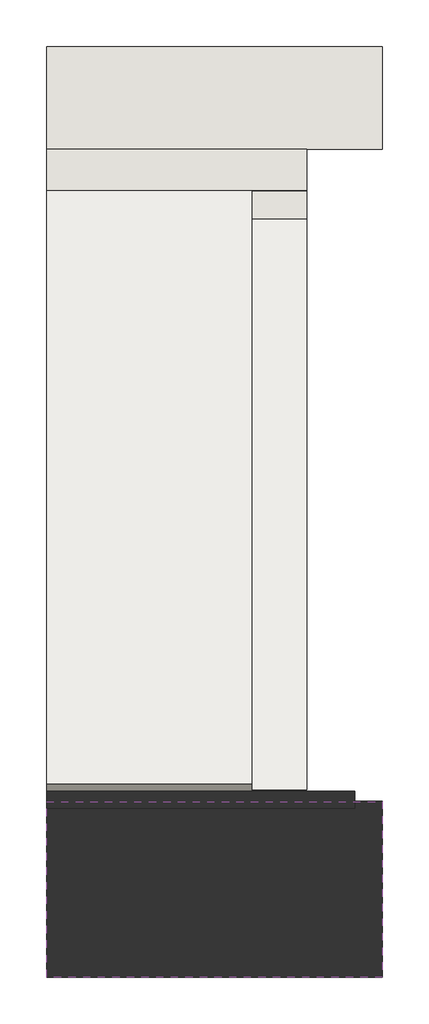
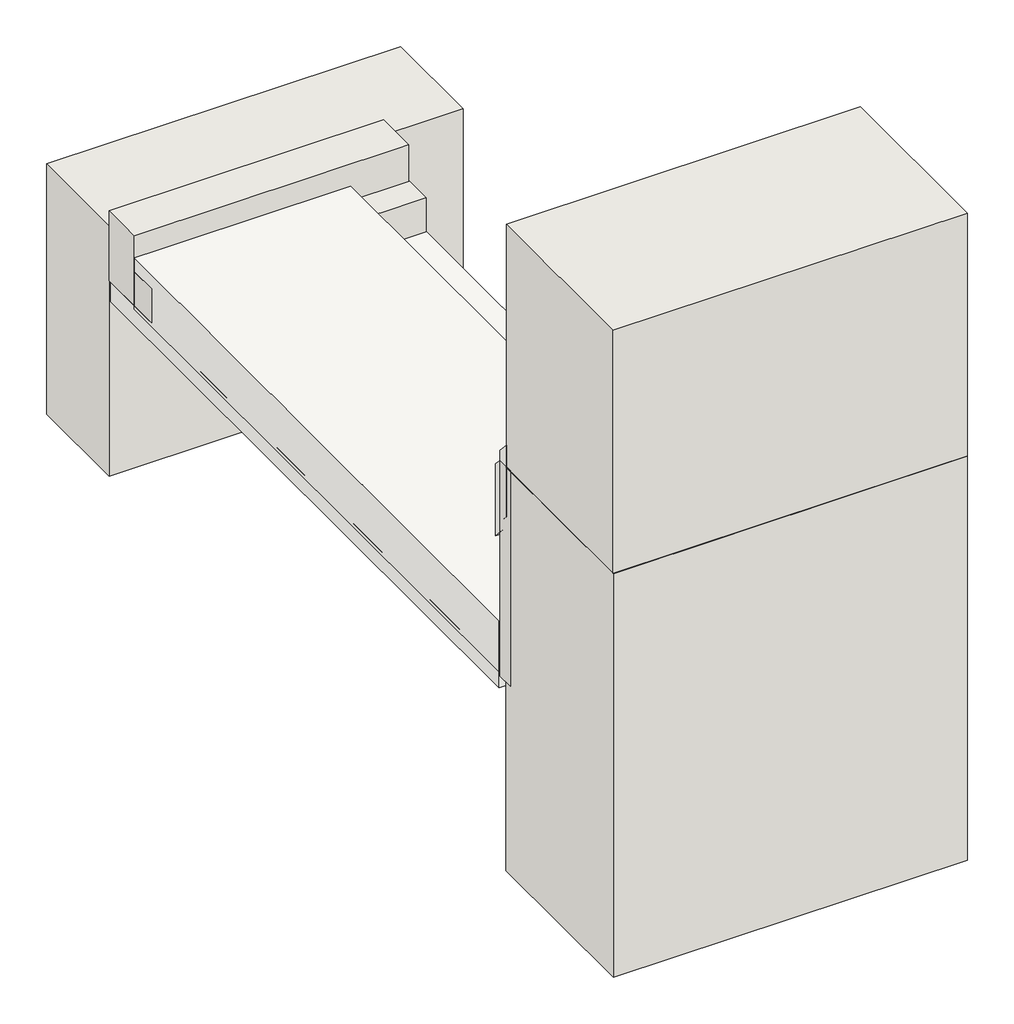
# One storey: 6 walls, 3 slabs, 1 covering.
"""IFC4 building model written with IfcOpenShell, lengths in millimetres."""

import ifcopenshell
import ifcopenshell.guid

model = None  # the IFC model being written
_history = None  # IfcOwnerHistory: only IFC2X3 demands one
_inside = {}  # id of a spatial element -> (the spatial element, [elements in it])
_under = {}  # id of a project, library or spatial element -> (it, [spatial elements below it])
_declared = {}  # id of a project -> (the project, [libraries it declares])
_typed = {}  # id of a type object -> (the type object, [elements of that type])
_made_of = {}  # id of a material, layer set ... -> (it, [elements and type objects made of it])


def new_model(schema):
    """Start an empty IFC model of exactly this schema.

    Asked for "IFC4X3", IfcOpenShell would pick the latest addendum, in which some entities
    have other attributes; the version numbers below select the first issue.
    IFC2X3 requires an IfcOwnerHistory on every rooted entity: one is made here for all.
    """
    global model, _history
    if schema == "IFC4X3":
        model = ifcopenshell.file(schema_version=(4, 3, 0, 0))
    else:
        model = ifcopenshell.file(schema=schema)
    _inside.clear()
    _under.clear()
    _declared.clear()
    _typed.clear()
    _made_of.clear()
    _history = None
    if model.schema == "IFC2X3":
        org = make("IfcOrganization", Name="unknown")
        user = make(
            "IfcPersonAndOrganization",
            ThePerson=make("IfcPerson", FamilyName="unknown"),
            TheOrganization=org,
        )
        app = make(
            "IfcApplication",
            ApplicationDeveloper=org,
            Version="unknown",
            ApplicationFullName="unknown",
            ApplicationIdentifier="unknown",
        )
        _history = make(
            "IfcOwnerHistory",
            OwningUser=user,
            OwningApplication=app,
            ChangeAction="ADDED",
            CreationDate=0,
        )
    return model


def make(cls, **values):
    """One entity of the class cls with the attributes given. An attribute that is None is left unset."""
    return model.create_entity(
        cls, **{name: value for name, value in values.items() if value is not None}
    )


def rooted(cls, **values):
    """An entity with a GlobalId (a new one), such as an element, a storey or a relation."""
    return make(cls, GlobalId=ifcopenshell.guid.new(), OwnerHistory=_history, **values)


def si_unit(unit_type, name, prefix=None):
    """IfcSIUnit, for example si_unit("LENGTHUNIT", "METRE", prefix="MILLI")."""
    return make("IfcSIUnit", UnitType=unit_type, Prefix=prefix, Name=name)


def assignment(units):
    """IfcUnitAssignment: the units of a project."""
    return None if units is None else make("IfcUnitAssignment", Units=units)


def point(xyz):
    """IfcCartesianPoint."""
    return None if xyz is None else make("IfcCartesianPoint", Coordinates=xyz)


def direction(xyz):
    """IfcDirection."""
    return None if xyz is None else make("IfcDirection", DirectionRatios=xyz)


def frame(location, z_axis=None, x_axis=None):
    """IfcAxis2Placement3D, a coordinate frame: its origin and axes. An axis left out is left unset."""
    return make(
        "IfcAxis2Placement3D",
        Location=point(location),
        Axis=direction(z_axis),
        RefDirection=direction(x_axis),
    )


def origin():
    """The frame at (0, 0, 0) with its axes left unset."""
    return frame((0.0, 0.0, 0.0))


def place(relative_to, where):
    """IfcLocalPlacement: puts the frame where relative to a parent placement (None: the world)."""
    return make(
        "IfcLocalPlacement", PlacementRelTo=relative_to, RelativePlacement=where
    )


def context(
    kind, dimensions, precision=None, world=None, true_north=None, identifier=None
):
    """IfcGeometricRepresentationContext, for example the 3D "Model" context."""
    return make(
        "IfcGeometricRepresentationContext",
        ContextIdentifier=identifier,
        ContextType=kind,
        CoordinateSpaceDimension=dimensions,
        Precision=precision,
        WorldCoordinateSystem=world,
        TrueNorth=true_north,
    )


def project(units=None, contexts=None):
    """IfcProject with its units and contexts."""
    return rooted(
        "IfcProject",
        Name="project",
        RepresentationContexts=contexts,
        UnitsInContext=assignment(units),
    )


def spatial(cls, under=None, at=None, **own):
    """A site, building, storey or space (cls), placed at a placement, below another one or the project."""
    s = rooted(cls, ObjectPlacement=at, **own)
    if under is not None:
        _under.setdefault(under.id(), (under, []))[1].append(s)
    return s


def polyline(points):
    """IfcPolyline through the points."""
    return make("IfcPolyline", Points=[point(p) for p in points])


def outline(outer, holes=None, kind="AREA"):
    """IfcArbitraryClosedProfileDef: a profile drawn as a closed curve; with holes, ...WithVoids."""
    if holes is None:
        return make("IfcArbitraryClosedProfileDef", ProfileType=kind, OuterCurve=outer)
    return make(
        "IfcArbitraryProfileDefWithVoids",
        ProfileType=kind,
        OuterCurve=outer,
        InnerCurves=holes,
    )


def extrude(swept, where, along, depth):
    """IfcExtrudedAreaSolid: the profile swept, set in the frame where, extruded along a direction by depth."""
    return make(
        "IfcExtrudedAreaSolid",
        SweptArea=swept,
        Position=where,
        ExtrudedDirection=direction(along),
        Depth=depth,
    )


def shape(context_of_items, identifier, shape_type, items):
    """IfcShapeRepresentation: the items that make up one representation, for example the "Body"."""
    return make(
        "IfcShapeRepresentation",
        ContextOfItems=context_of_items,
        RepresentationIdentifier=identifier,
        RepresentationType=shape_type,
        Items=items,
    )


def made_of(thing, what):
    """Note that an element or type object is made of a material, layer set ...; save() writes the relation."""
    if what is not None:
        _made_of.setdefault(what.id(), (what, []))[1].append(thing)
    return thing


def element(
    cls,
    number,
    at=None,
    inside=None,
    cuts=None,
    type_object=None,
    material=None,
    context=None,
    identifier="Body",
    shape_type=None,
    held_by="IfcProductDefinitionShape",
    body=None,
    shapes=None,
    **own,
):
    """One element of the class cls, such as IfcWall. Its Tag is "e" and its number.

    at: its placement. inside: the storey or other place that contains it. cuts: it is an
    opening in that element (IfcRelVoidsElement). A single representation is given by context,
    identifier, shape_type and body (its items); several are given by shapes. held_by: the class
    of the entity that holds the representations. save() writes the other relations.
    """
    e = rooted(cls, Tag="e%d" % number, ObjectPlacement=at, **own)
    if body is not None:
        shapes = [shape(context, identifier, shape_type, body)]
    if shapes is not None:
        e.Representation = make(held_by, Representations=shapes)
    if inside is not None:
        _inside.setdefault(inside.id(), (inside, []))[1].append(e)
    if cuts is not None:
        rooted(
            "IfcRelVoidsElement", RelatingBuildingElement=cuts, RelatedOpeningElement=e
        )
    if type_object is not None:
        _typed.setdefault(type_object.id(), (type_object, []))[1].append(e)
    return made_of(e, material)


def aggregate(whole, parts):
    """IfcRelAggregates: a whole, such as a stair, and the parts it consists of."""
    return rooted("IfcRelAggregates", RelatingObject=whole, RelatedObjects=parts)


def save(model, path):
    """Write the relations noted so far, then the file.

    IfcRelAggregates (storeys below a building ...), IfcRelContainedInSpatialStructure (elements
    in a storey), IfcRelDefinesByType, IfcRelAssociatesMaterial and IfcRelDeclares: one each for
    every whole, place, type object, material and project.
    """
    for whole, parts in _under.values():
        aggregate(whole, parts)
    for where, things in _inside.values():
        rooted(
            "IfcRelContainedInSpatialStructure",
            RelatedElements=things,
            RelatingStructure=where,
        )
    for kind, things in _typed.values():
        rooted("IfcRelDefinesByType", RelatedObjects=things, RelatingType=kind)
    for what, things in _made_of.values():
        rooted("IfcRelAssociatesMaterial", RelatedObjects=things, RelatingMaterial=what)
    for by, libraries in _declared.values():
        rooted("IfcRelDeclares", RelatingContext=by, RelatedDefinitions=libraries)
    model.write(path)


model = new_model("IFC4")

# Units and contexts
model_context = context("Model", 3, world=origin())
ifc_project = project(units=[si_unit("LENGTHUNIT", "METRE", prefix="MILLI")], contexts=[model_context])

# Site, building, storey
site = spatial("IfcSite", under=ifc_project)
building = spatial("IfcBuilding", under=site)
storey = spatial("IfcBuildingStorey", under=building, Elevation=0.0)

# Covering
placement = place(None, origin())
element("IfcCovering", 1, at=placement, inside=storey, context=model_context, shape_type="SweptSolid", body=[
    extrude(outline(polyline([(-22735.7654506, 1745.9708092), (-22735.7654506, -114.5739572), (-23495.7654506, -114.5739572), (-23495.7654506, 1745.9708092), (-22735.7654506, 1745.9708092)])), frame((0.0, 0.0, 663.3942056), z_axis=(0.0, 0.0, 1.0), x_axis=(1.0, 0.0, 0.0)), (0.0, 0.0, 1.0), 57.0),
])

# Slabs
element("IfcSlab", 2, at=placement, inside=storey, context=model_context, shape_type="SweptSolid", body=[
    extrude(outline(polyline([(-23495.7654506, 1634.7450289), (-22896.6322785, 1634.7450289), (-22896.6322785, -114.3992012), (-23495.7654506, -114.3992012), (-23495.7654506, 1634.7450289)])), frame((0.0, 0.0, 710.0), z_axis=(0.0, 0.0, 1.0), x_axis=(1.0, 0.0, 0.0)), (0.0, 0.0, 1.0), 150.0),
])
element("IfcSlab", 3, at=placement, inside=storey, context=model_context, shape_type="SweptSolid", body=[
    extrude(outline(polyline([(-150.4730891, 1185.0), (-150.4730891, 1395.0), (-118.1956396, 1360.0), (-118.1956396, 1150.0), (-150.4730891, 1185.0)])), frame((-23495.7654506, 0.0, 0.0), z_axis=(1.0, 0.0, 0.0), x_axis=(0.0, 1.0, 0.0)), (0.0, 0.0, 1.0), 599.133172),
])
element("IfcSlab", 4, at=placement, inside=storey, context=model_context, shape_type="SweptSolid", body=[
    extrude(outline(polyline([(-130.7338728, 1133.5628544), (-130.7338728, 1343.5628544), (-98.4564232, 1308.5628544), (-98.4564232, 1098.5628544), (-130.7338728, 1133.5628544)])), frame((-23495.7654506, 0.0, 0.0), z_axis=(1.0, 0.0, 0.0), x_axis=(0.0, 1.0, 0.0)), (0.0, 0.0, 1.0), 599.133172),
])

# Walls
element("IfcWall", 5, at=placement, inside=storey, context=model_context, shape_type="SweptSolid", body=[
    extrude(outline(polyline([(-23495.7654506, 1754.7450289), (-22735.7654506, 1754.7450289), (-22735.7654506, 1634.7450289), (-23495.7654506, 1634.7450289), (-23495.7654506, 1754.7450289)])), frame((0.0, 0.0, 720.3942056), z_axis=(0.0, 0.0, 1.0), x_axis=(1.0, 0.0, 0.0)), (0.0, 0.0, 1.0), 204.6057944),
])
element("IfcWall", 6, at=placement, inside=storey, context=model_context, shape_type="SweptSolid", body=[
    extrude(outline(polyline([(-23495.7654506, -118.1956396), (-22595.7654506, -118.1956396), (-22595.7654506, -168.1956396), (-23495.7654506, -168.1956396), (-23495.7654506, -118.1956396)])), frame((0.0, 0.0, 700.0), z_axis=(0.0, 0.0, 1.0), x_axis=(1.0, 0.0, 0.0)), (0.0, 0.0, 1.0), 630.0),
])
element("IfcWall", 7, at=placement, inside=storey, context=model_context, shape_type="SweptSolid", body=[
    extrude(outline(polyline([(-23495.7654506, -148.1956396), (-22515.7654506, -148.1956396), (-22515.7654506, -662.1956396), (-23495.7654506, -662.1956396), (-23495.7654506, -148.1956396)])), frame((0.0, 0.0, 148.3942056), z_axis=(0.0, 0.0, 1.0), x_axis=(1.0, 0.0, 0.0)), (0.0, 0.0, 1.0), 1181.0316678),
])
element("IfcWall", 8, at=placement, inside=storey, context=model_context, shape_type="SweptSolid", body=[
    extrude(outline(polyline([(-23495.7654506, -149.1956396), (-22515.7654506, -149.1956396), (-22515.7654506, -661.1956396), (-23495.7654506, -661.1956396), (-23495.7654506, -149.1956396)])), frame((0.0, 0.0, 1329.4258733), z_axis=(0.0, 0.0, 1.0), x_axis=(1.0, 0.0, 0.0)), (0.0, 0.0, 1.0), 710.5741267),
])
element("IfcWall", 9, at=placement, inside=storey, context=model_context, shape_type="SweptSolid", body=[
    extrude(outline(polyline([(-23495.7654506, 2054.7450289), (-22515.7654506, 2054.7450289), (-22515.7654506, 1754.7450289), (-23495.7654506, 1754.7450289), (-23495.7654506, 2054.7450289)])), frame((0.0, 0.0, 148.3942056), z_axis=(0.0, 0.0, 1.0), x_axis=(1.0, 0.0, 0.0)), (0.0, 0.0, 1.0), 731.6057944),
])
element("IfcWall", 10, at=placement, inside=storey, context=model_context, shape_type="SweptSolid", body=[
    extrude(outline(polyline([(-23495.7654506, 1631.8043604), (-22735.7654506, 1631.8043604), (-22735.7654506, 1551.8043604), (-23495.7654506, 1551.8043604), (-23495.7654506, 1631.8043604)])), frame((0.0, 0.0, 720.3942056), z_axis=(0.0, 0.0, 1.0), x_axis=(1.0, 0.0, 0.0)), (0.0, 0.0, 1.0), 99.6057944),
])

save(model, "model.ifc")
